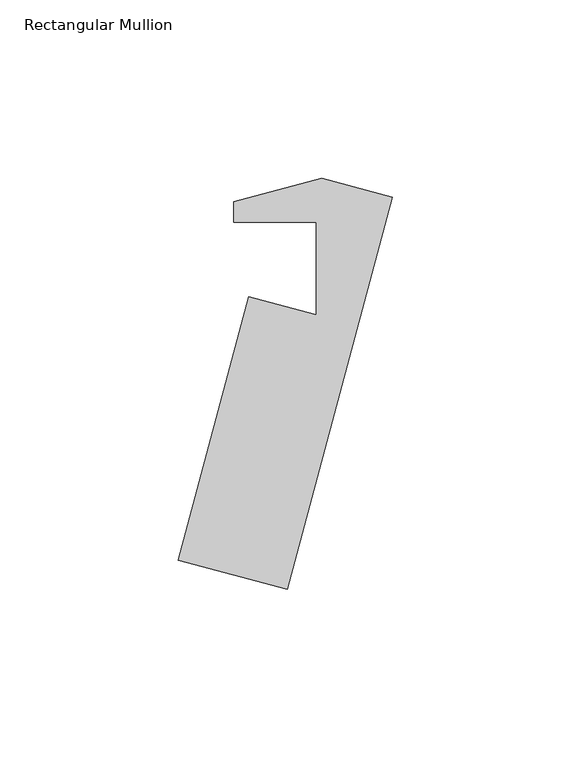
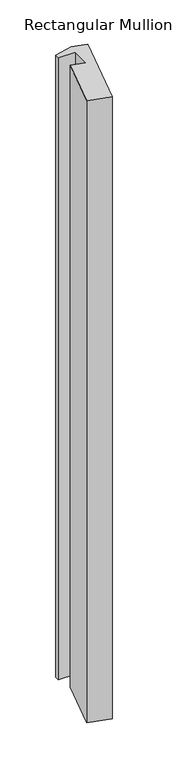
"""IFC4 building model written with IfcOpenShell, lengths in millimetres: member geometry, Rectangular Mullion."""

from ifc_helpers import new_model, si_unit, frame, origin, place, context, project, spatial, polyline, outline, extrude, source, transform, mapped, element, save


def rectangular_mullion_1a0ff15e(model_context):
    return source(origin(), model_context, "Body", "SweptSolid", [
        extrude(outline(polyline([(3.1873155, 11.8952233), (-26.3044379, -98.1694988), (-56.9725829, -89.9519941), (-37.1651096, -16.0294974), (-18.2474631, -21.0984656), (-18.2474631, 4.8060016), (-41.3984584, 4.8060016), (-41.3984584, 10.6166788), (-16.7197749, 17.2293121), (3.1873155, 11.8952233)])), frame((0.0, 0.0, -906.5617188), z_axis=(0.0, 0.0, 1.0), x_axis=(1.0, 0.0, 0.0)), (0.0, 0.0, 1.0), 906.5617187),
    ])


if __name__ == "__main__":
    model = new_model("IFC4")
    model_context = context("Model", 3, world=origin())
    ifc_project = project(units=[si_unit("LENGTHUNIT", "METRE", prefix="MILLI")], contexts=[model_context])
    site = spatial("IfcSite", under=ifc_project)
    building = spatial("IfcBuilding", under=site)
    placement = place(None, origin())
    rectangular_mullion_shape = rectangular_mullion_1a0ff15e(model_context)
    element("IfcMember", 1, ObjectType="Rectangular Mullion", at=placement, inside=building, context=model_context, shape_type="MappedRepresentation", body=[
        mapped(rectangular_mullion_shape, transform((0.0, 0.0, 0.0), x_axis=(1.0, 0.0, 0.0), y_axis=(0.0, 1.0, 0.0), z_axis=(0.0, 0.0, 1.0))),
    ])
    save(model, "model.ifc")
